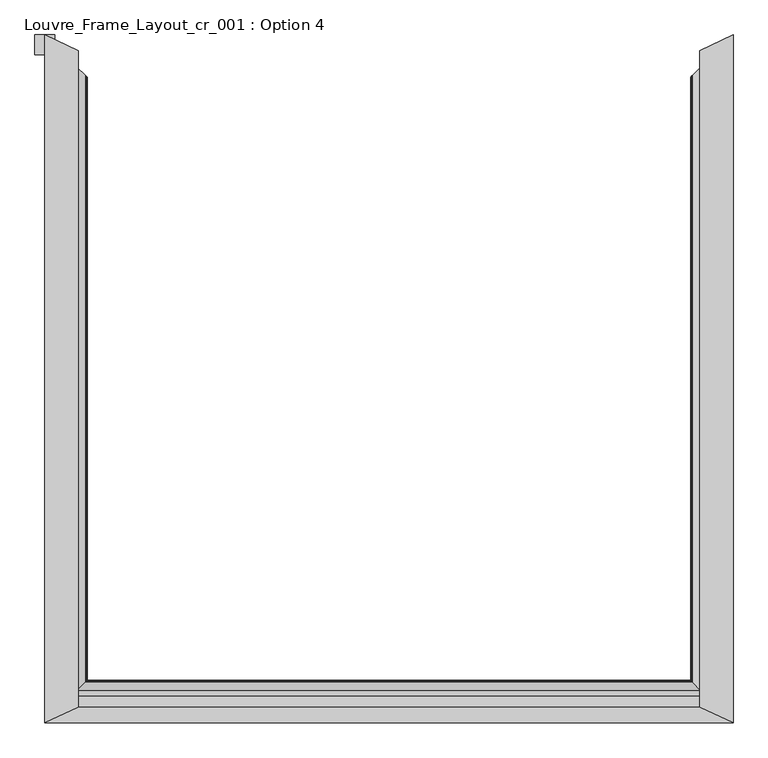
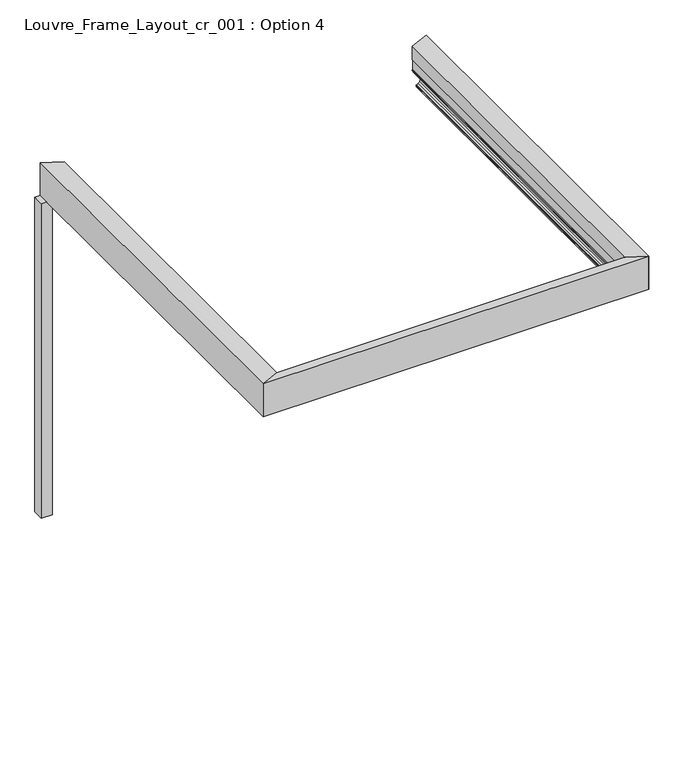
"""IFC4 building model written with IfcOpenShell, lengths in millimetres: proxy geometry, Louvre_Frame_Layout_cr_001 : Option 4."""

from ifc_helpers import new_model, si_unit, frame, origin, place, context, project, spatial, polyline, ellipse_curve, outline, extrude, source, transform, mapped, element, save
from ifc_brep_helpers import plane_surface, cylinder_surface, revolved_surface, advanced_brep


def louvre_frame_layout_cr_001_option_4_56b08c02(model_context):
    return source(origin(), model_context, "Body", "SolidModel", [
        advanced_brep(
        [(3500.0, -1860.0, 40.0285881), (3354.7049082, -1714.7471297, 40.0285881), (3357.499356, -1717.5407655, 38.8575344), (3435.6421077, -1795.6608096, 38.8575344), (3437.2798539, -1797.2980799, 37.2197882), (3437.2798539, -1797.2980799, 30.0771301), (3448.0054103, -1808.0205195, 30.0771301), (3448.0054103, -1808.0205195, 7.0067374), (3443.0005687, -1803.0171323, 2.0018958), (3364.8199959, -1724.8592781, 2.0018958), (3336.794989, -1696.842415, 7.4266447), (3291.7291256, -1651.7896474, 25.5580129), (3291.7291256, -1651.7896474, 39.3616238), (3291.0621612, -1651.1228768, 40.0285881), (3285.4888339, -1645.5511691, 40.0285881), (3284.8218695, -1644.8843985, 39.3616238), (3284.8218695, -1644.8843985, 26.5150991), (3285.3886853, -1645.4510496, 25.9589183), (3349.8942843, -1709.9379038, 0.0), (3500.0, -1860.0, 0.0), (3500.0, -1860.0, 36.793065), (3354.7049082, 1494.7471297, 40.0285881), (3500.0, 1640.0, 40.0285881), (3500.0, 1640.0, 36.793065), (3500.0, 1640.0, 0.0), (3349.8942843, 1489.9379038, 0.0), (3285.3886853, 1425.4510496, 25.9589183), (3284.8218695, 1424.8843985, 26.5150991), (3284.8218695, 1424.8843985, 39.3616238), (3285.4888339, 1425.5511691, 40.0285881), (3291.0621612, 1431.1228768, 40.0285881), (3291.7291256, 1431.7896474, 39.3616238), (3291.7291256, 1431.7896474, 25.5580129), (3336.794989, 1476.842415, 7.4266447), (3364.8199959, 1504.8592781, 2.0018958), (3443.0005687, 1583.0171323, 2.0018958), (3448.0054103, 1588.0205195, 7.0067374), (3448.0054103, 1588.0205195, 30.0771301), (3437.2798539, 1577.2980799, 30.0771301), (3437.2798539, 1577.2980799, 37.2197882), (3435.6421077, 1575.6608096, 38.8575344), (3357.499356, 1497.5407655, 38.8575344), (3330.2950263, 1560.0512704, 186.2985422), (3330.2950263, 1560.0512704, 315.1230176), (3500.0, 1640.0, 315.1230176), (3354.7049082, 1571.5508688, 40.0285881), (3352.0673551, 1570.3083064, 42.7736155), (3330.3018549, 1560.0544873, 79.2796958), (3330.3018549, 1560.0544873, 88.3970766), (3336.7193678, 1563.0778048, 88.3970766), (3336.7193678, 1563.0778048, 186.2985422), (3354.7049082, -1791.5508688, 40.0285881), (3330.2950263, -1780.0512704, 186.2985422), (3330.2950263, -1780.0512704, 315.1230176), (3336.7193678, -1783.0778048, 186.2985422), (3336.7193678, -1783.0778048, 88.3970766), (3330.3018549, -1780.0544873, 88.3970766), (3330.3018549, -1780.0544873, 79.2796958), (3352.0673551, -1790.3083064, 42.7736155), (3500.0, -1860.0, 315.1230176)],
        [
            (0, 1),
            (1, 2, ellipse_curve(frame((3359.3065931, -1719.3474774, 47.0897633), z_axis=(-0.70700401906678, -0.7072095283743144, 0.0), x_axis=(0.7072095283743143, -0.70700401906678, 0.0)), 11.917639, 8.4282679)),
            (2, 3),
            (3, 4, ellipse_curve(frame((3435.6421077, -1795.6608096, 37.2197882), z_axis=(0.70700401906678, 0.7072095283743144, 0.0), x_axis=(-0.7072095283743143, 0.70700401906678, 0.0)), 2.3157864, 1.6377462)),
            (4, 5),
            (5, 6),
            (6, 7),
            (7, 8, ellipse_curve(frame((3443.0005687, -1803.0171323, 7.0067374), z_axis=(0.70700401906678, 0.7072095283743144, 0.0), x_axis=(-0.7072095283743143, 0.70700401906678, 0.0)), 7.0768866, 5.0048416)),
            (8, 9),
            (9, 10, ellipse_curve(frame((3364.8119854, -1724.85127, 77.0634267), z_axis=(0.70700401906678, 0.7072095283743144, 0.0), x_axis=(-0.7072095283743143, 0.70700401906678, 0.0)), 106.1376132, 75.0615314)),
            (10, 11),
            (11, 12),
            (12, 13, ellipse_curve(frame((3291.0621612, -1651.1228768, 39.3616238), z_axis=(-0.70700401906678, -0.7072095283743144, 0.0), x_axis=(0.7072095283743143, -0.70700401906678, 0.0)), 0.943093, 0.6669644)),
            (13, 14),
            (14, 15, ellipse_curve(frame((3285.4888339, -1645.5511691, 39.3616238), z_axis=(-0.70700401906678, -0.7072095283743144, 0.0), x_axis=(0.7072095283743143, -0.70700401906678, 0.0)), 0.943093, 0.6669644)),
            (15, 16),
            (16, 17, ellipse_curve(frame((3285.7754513, -1645.8377032, 26.9199973), z_axis=(-0.70700401906678, -0.7072095283743144, 0.0), x_axis=(0.7072095283743143, -0.70700401906678, 0.0)), 1.4648884, 1.035983)),
            (17, 18),
            (18, 19),
            (19, 20),
            (20, 0),
            (21, 22),
            (22, 23),
            (23, 24),
            (24, 25),
            (25, 26),
            (26, 27, ellipse_curve(frame((3285.7754513, 1425.8377032, 26.9199973), z_axis=(-0.7070040190647345, 0.7072095283763594, 0.0), x_axis=(-0.7072095283763595, -0.7070040190647343, 0.0)), 1.4648884, 1.035983)),
            (27, 28),
            (28, 29, ellipse_curve(frame((3285.4888339, 1425.5511691, 39.3616238), z_axis=(-0.7070040190647345, 0.7072095283763594, 0.0), x_axis=(-0.7072095283763595, -0.7070040190647343, 0.0)), 0.943093, 0.6669644)),
            (29, 30),
            (30, 31, ellipse_curve(frame((3291.0621612, 1431.1228768, 39.3616238), z_axis=(-0.7070040190647345, 0.7072095283763594, 0.0), x_axis=(-0.7072095283763595, -0.7070040190647343, 0.0)), 0.943093, 0.6669644)),
            (31, 32),
            (32, 33),
            (33, 34, ellipse_curve(frame((3364.8119854, 1504.85127, 77.0634267), z_axis=(0.7070040190647345, -0.7072095283763594, 0.0), x_axis=(0.7072095283763595, 0.7070040190647343, 0.0)), 106.1376132, 75.0615314)),
            (34, 35),
            (35, 36, ellipse_curve(frame((3443.0005687, 1583.0171323, 7.0067374), z_axis=(0.7070040190647345, -0.7072095283763594, 0.0), x_axis=(0.7072095283763595, 0.7070040190647343, 0.0)), 7.0768866, 5.0048416)),
            (36, 37),
            (37, 38),
            (38, 39),
            (39, 40, ellipse_curve(frame((3435.6421077, 1575.6608096, 37.2197882), z_axis=(0.7070040190647345, -0.7072095283763594, 0.0), x_axis=(0.7072095283763595, 0.7070040190647343, 0.0)), 2.3157864, 1.6377462)),
            (40, 41),
            (41, 21, ellipse_curve(frame((3359.3065931, 1499.3474775, 47.0897633), z_axis=(-0.7070040190647345, 0.7072095283763594, 0.0), x_axis=(-0.7072095283763595, -0.7070040190647343, 0.0)), 11.917639, 8.4282679)),
            (42, 43),
            (43, 44),
            (44, 22),
            (22, 45),
            (45, 46, ellipse_curve(frame((3359.3065931, 1573.718742, 47.0897633), z_axis=(-0.4261791510910806, 0.9046387849165467, 0.0), x_axis=(-0.9046387849165468, -0.42617915109108023, 0.0)), 9.3167218, 8.4282679)),
            (46, 47),
            (47, 48),
            (48, 49),
            (49, 50),
            (50, 42),
            (0, 51),
            (51, 1),
            (21, 45),
            (42, 52),
            (52, 53),
            (53, 43),
            (50, 54),
            (54, 52),
            (49, 55),
            (55, 54),
            (48, 56),
            (56, 55),
            (47, 57),
            (57, 56),
            (46, 58),
            (58, 57),
            (51, 58, ellipse_curve(frame((3359.3065931, -1793.718742, 47.0897633), z_axis=(0.42617915109110965, 0.9046387849165329, 0.0), x_axis=(0.9046387849165329, -0.4261791510911096, 0.0)), 9.3167218, 8.4282679)),
            (41, 2),
            (40, 3),
            (39, 4),
            (38, 5),
            (37, 6),
            (36, 7),
            (35, 8),
            (34, 9),
            (33, 10),
            (32, 11),
            (31, 12),
            (30, 13),
            (29, 14),
            (28, 15),
            (27, 16),
            (26, 17),
            (25, 18),
            (24, 19),
            (44, 59),
            (59, 0),
            (53, 59),
        ],
        [
            plane_surface(frame((3500.0, -1860.0, 40.0285881), z_axis=(-0.70700401906678, -0.7072095283743144, 0.0), x_axis=(0.0, 0.0, -1.0))),
            plane_surface(frame((3241.9060249, 1381.9810249, 40.0285881), z_axis=(-0.7070040190647345, 0.7072095283763594, 0.0), x_axis=(0.0, 0.0, -1.0))),
            plane_surface(frame((3330.2950263, 1560.0512704, 355.5911694), z_axis=(-0.4261791510910806, 0.9046387849165467, 0.0), x_axis=(0.0, 0.0, -1.0))),
            plane_surface(frame((3241.9060249, -1601.9810249, 40.0285881), z_axis=(0.0, 0.0, -1.0), x_axis=(0.0, -1.0, 0.0))),
            plane_surface(frame((3500.0, 1640.0, 40.0285881), z_axis=(0.0, 0.0, -1.0000000000000002), x_axis=(0.7072095283763594, 0.7070040190647345, 0.0))),
            plane_surface(frame((3330.2950263, -1860.0, 315.1230176), z_axis=(-1.0, 0.0, 0.0), x_axis=(0.0, 1.0, 0.0))),
            plane_surface(frame((3330.2950263, -1860.0, 186.2985422), z_axis=(0.0, 0.0, -1.0), x_axis=(0.0, 1.0, 0.0))),
            plane_surface(frame((3336.7193678, -1860.0, 186.2985422), z_axis=(-1.0, 0.0, 0.0), x_axis=(0.0, 1.0, 0.0))),
            plane_surface(frame((3336.7193678, -1860.0, 88.3970766), z_axis=(0.0, 0.0, 1.0), x_axis=(0.0, 1.0, 0.0))),
            plane_surface(frame((3330.3018549, -1860.0, 88.3970766), z_axis=(-1.0, 0.0, 0.0), x_axis=(0.0, 1.0, 0.0))),
            plane_surface(frame((3330.3018549, -1860.0, 79.2796958), z_axis=(-0.8589235852565517, 0.0, -0.5121037733604697), x_axis=(0.0, 1.0, 0.0))),
            cylinder_surface(frame((3359.3065931, -1860.0, 47.0897633), z_axis=(0.0, -1.0, 0.0), x_axis=(-1.0, 0.0, 0.0)), 8.4282679),
            plane_surface(frame((3357.499356, -1860.0, 38.8575344), z_axis=(0.0, 0.0, -1.0), x_axis=(0.0, 1.0, 0.0))),
            revolved_surface(polyline([(3434.0043615, 1577.2980798999997, 37.2197882), (3434.0043615, -1797.2980799, 37.2197882)]), (3435.6421077, -1860.0, 37.2197882), (0.0, 1.0, 0.0)),
            plane_surface(frame((3437.2798539, -1860.0, 37.2197882), z_axis=(-1.0, 0.0, 0.0), x_axis=(0.0, 1.0, 0.0))),
            plane_surface(frame((3437.2798539, -1860.0, 30.0771301), z_axis=(0.0, 0.0, -1.0), x_axis=(0.0, 1.0, 0.0))),
            plane_surface(frame((3448.0054103, -1860.0, 30.0771301), z_axis=(-1.0, 0.0, 0.0), x_axis=(0.0, 1.0, 0.0))),
            revolved_surface(polyline([(3437.9957271, 1588.0205195686653, 7.0067374), (3437.9957271, -1808.02051956868, 7.0067374)]), (3443.0005687, -1860.0, 7.0067374), (0.0, 1.0, 0.0)),
            plane_surface(frame((3443.0005687, -1860.0, 2.0018958), z_axis=(0.0, 0.0, 1.0), x_axis=(0.0, 1.0, 0.0))),
            revolved_surface(polyline([(3289.750454, 1579.890989106338, 77.0634267), (3289.750454, -1799.8909891065555, 77.0634267)]), (3364.8119854, -1860.0, 77.0634267), (0.0, 1.0, 0.0)),
            plane_surface(frame((3336.794989, -1860.0, 7.4266447), z_axis=(0.37325372835204107, 0.0, 0.9277293001039154), x_axis=(0.0, 1.0, 0.0))),
            plane_surface(frame((3291.7291256, -1860.0, 25.5580129), z_axis=(1.0, 0.0, 0.0), x_axis=(0.0, 1.0, 0.0))),
            cylinder_surface(frame((3291.0621612, -1860.0, 39.3616238), z_axis=(0.0, -1.0, 0.0), x_axis=(-1.0, 0.0, 0.0)), 0.6669644),
            plane_surface(frame((3291.0621612, -1860.0, 40.0285881), z_axis=(0.0, 0.0, 1.0), x_axis=(0.0, 1.0, 0.0))),
            cylinder_surface(frame((3285.4888339, -1860.0, 39.3616238), z_axis=(0.0, -1.0, 0.0), x_axis=(1.0, 0.0, 0.0)), 0.6669644),
            plane_surface(frame((3284.8218695, -1860.0, 39.3616238), z_axis=(-1.0, 0.0, 0.0), x_axis=(0.0, 1.0, 0.0))),
            cylinder_surface(frame((3285.7754513, -1860.0, 26.9199973), z_axis=(0.0, -1.0, 0.0), x_axis=(-1.0, 0.0, 0.0)), 1.035983),
            plane_surface(frame((3285.3886853, -1860.0, 25.9589183), z_axis=(-0.3733323631651337, 0.0, -0.9276976590536039), x_axis=(0.0, 1.0, 0.0))),
            plane_surface(frame((3349.8942843, -1860.0, 0.0), z_axis=(0.0, 0.0, -1.0), x_axis=(0.0, 1.0, 0.0))),
            plane_surface(frame((3500.0, -1860.0, 0.0), z_axis=(1.0, 0.0, 0.0), x_axis=(0.0, 1.0, 0.0))),
            plane_surface(frame((3500.0, -1860.0, 315.1230176), z_axis=(0.0, 0.0, 1.0), x_axis=(0.0, 1.0, 0.0))),
            plane_surface(frame((3500.0, -1860.0, 355.5911694), z_axis=(-0.42617915109110965, -0.9046387849165329, 0.0), x_axis=(0.0, 0.0, -1.0))),
        ],
        [
            (0, [[1, 2, 3, 4, 5, 6, 7, 8, 9, 10, 11, 12, 13, 14, 15, 16, 17, 18, 19, 20, 21]]),
            (1, [[22, 23, 24, 25, 26, 27, 28, 29, 30, 31, 32, 33, 34, 35, 36, 37, 38, 39, 40, 41, 42]]),
            (2, [[43, 44, 45, 46, 47, 48, 49, 50, 51, 52]]),
            (3, [[-1, 53, 54]]),
            (4, [[-22, 55, -46]]),
            (5, [[-43, 56, 57, 58]]),
            (6, [[-52, 59, 60, -56]]),
            (7, [[-51, 61, 62, -59]]),
            (8, [[-50, 63, 64, -61]]),
            (9, [[-49, 65, 66, -63]]),
            (10, [[-48, 67, 68, -65]]),
            (11, [[-2, -54, 69, -67, -47, -55, -42, 70]]),
            (12, [[-3, -70, -41, 71]]),
            (13, [[-4, -71, -40, 72]]),
            (14, [[-5, -72, -39, 73]]),
            (15, [[-6, -73, -38, 74]]),
            (16, [[-7, -74, -37, 75]]),
            (17, [[-8, -75, -36, 76]]),
            (18, [[-9, -76, -35, 77]]),
            (19, [[-10, -77, -34, 78]]),
            (20, [[-11, -78, -33, 79]]),
            (21, [[-12, -79, -32, 80]]),
            (22, [[-13, -80, -31, 81]]),
            (23, [[-14, -81, -30, 82]]),
            (24, [[-15, -82, -29, 83]]),
            (25, [[-16, -83, -28, 84]]),
            (26, [[-17, -84, -27, 85]]),
            (27, [[-18, -85, -26, 86]]),
            (28, [[87, -19, -86, -25]]),
            (29, [[-87, -24, -23, -45, 88, 89, -21, -20]]),
            (30, [[-88, -44, -58, 90]]),
            (31, [[-57, -60, -62, -64, -66, -68, -69, -53, -89, -90]]),
        ],
    ),
        advanced_brep(
        [(57.3003291, -1802.6996709, 38.7959832), (55.2974109, -1804.7025891, 36.793065), (52.5783381, -1807.4216619, 36.793065), (51.9945897, -1808.0054103, 36.2093165), (51.9945897, -1808.0054103, 7.0067374), (56.9994313, -1803.0005687, 2.0018958), (135.1800041, -1724.8199959, 2.0018958), (163.205011, -1696.794989, 7.4266447), (208.2708744, -1651.7291256, 25.5580129), (208.2708744, -1651.7291256, 39.3616238), (208.9378388, -1651.0621612, 40.0285881), (214.5111661, -1645.4888339, 40.0285881), (215.1781305, -1644.8218695, 39.3616238), (215.1781305, -1644.8218695, 26.1870213), (150.1057157, -1709.8942843, 0.0), (0.0, -1860.0, 0.0), (0.0, -1860.0, 38.8575344), (3444.7025891, -1804.7025891, 36.793065), (3442.6996709, -1802.6996709, 38.7959832), (3500.0, -1860.0, 38.8575344), (3500.0, -1860.0, 0.0), (3349.8942843, -1709.8942843, 0.0), (3284.8218695, -1644.8218695, 26.1870213), (3284.8218695, -1644.8218695, 39.3616238), (3285.4888339, -1645.4888339, 40.0285881), (3291.0621612, -1651.0621612, 40.0285881), (3291.7291256, -1651.7291256, 39.3616238), (3291.7291256, -1651.7291256, 25.5580129), (3336.794989, -1696.794989, 7.4266447), (3364.8199959, -1724.8199959, 2.0018958), (3443.0005687, -1803.0005687, 2.0018958), (3448.0054103, -1808.0054103, 7.0067374), (3448.0054103, -1808.0054103, 36.2093165), (3447.4216619, -1807.4216619, 36.793065), (3330.2950263, -1780.0512704, 316.6276048), (3330.2950263, -1780.0512704, 186.7535382), (169.7049737, -1780.0512704, 186.7535382), (169.7049737, -1780.0512704, 316.6276048), (3389.6325118, -1808.0054103, 186.7535382), (110.3674882, -1808.0054103, 186.7535382), (3389.6325118, -1808.0054103, 66.9467725), (110.3674882, -1808.0054103, 66.9467725), (3388.3114217, -1807.3830392, 66.3244014), (111.6885783, -1807.3830392, 66.3244014), (3382.6221378, -1804.7027935, 66.3244014), (117.3778622, -1804.7027935, 66.3244014), (3378.3701643, -1802.6996709, 64.3212787), (121.6298357, -1802.6996709, 64.3212787), (3378.3701643, -1802.6996709, 38.7959832), (121.6298357, -1802.6996709, 38.7959832), (3500.0, -1860.0, 40.0285881), (3500.0, -1860.0, 316.6276048), (0.0, -1860.0, 316.6276048), (0.0, -1860.0, 40.0285881)],
        [
            (0, 1, ellipse_curve(frame((55.2974109, -1804.7025891, 38.7959832), z_axis=(-0.7071067811864462, 0.7071067811866489, 0.0), x_axis=(-0.7071067811866488, -0.7071067811864462, 0.0)), 2.832554, 2.0029182)),
            (1, 2),
            (2, 3, ellipse_curve(frame((52.5783381, -1807.4216619, 36.2093165), z_axis=(0.7071067811864462, -0.7071067811866489, 0.0), x_axis=(0.7071067811866488, 0.7071067811864462, 0.0)), 0.825545, 0.5837485)),
            (3, 4),
            (4, 5, ellipse_curve(frame((56.9994313, -1803.0005687, 7.0067374), z_axis=(0.7071067811864462, -0.7071067811866489, 0.0), x_axis=(0.7071067811866488, 0.7071067811864462, 0.0)), 7.0779149, 5.0048416)),
            (5, 6),
            (6, 7, ellipse_curve(frame((135.1880146, -1724.8119854, 77.0634267), z_axis=(0.7071067811864462, -0.7071067811866489, 0.0), x_axis=(0.7071067811866488, 0.7071067811864462, 0.0)), 106.1530357, 75.0615314)),
            (7, 8),
            (8, 9),
            (9, 10, ellipse_curve(frame((208.9378388, -1651.0621612, 39.3616238), z_axis=(-0.7071067811864462, 0.7071067811866489, 0.0), x_axis=(-0.7071067811866488, -0.7071067811864462, 0.0)), 0.94323, 0.6669644)),
            (10, 11),
            (11, 12, ellipse_curve(frame((214.5111661, -1645.4888339, 39.3616238), z_axis=(-0.7071067811864462, 0.7071067811866489, 0.0), x_axis=(-0.7071067811866488, -0.7071067811864462, 0.0)), 0.94323, 0.6669644)),
            (12, 13),
            (13, 14),
            (14, 15),
            (15, 16),
            (16, 0),
            (17, 18, ellipse_curve(frame((3444.7025891, -1804.7025891, 38.7959832), z_axis=(0.7071067811866589, 0.7071067811864362, 0.0), x_axis=(-0.7071067811864361, 0.707106781186659, 0.0)), 2.832554, 2.0029182)),
            (18, 19),
            (19, 20),
            (20, 21),
            (21, 22),
            (22, 23),
            (23, 24, ellipse_curve(frame((3285.4888339, -1645.4888339, 39.3616238), z_axis=(0.7071067811866589, 0.7071067811864362, 0.0), x_axis=(-0.7071067811864361, 0.707106781186659, 0.0)), 0.94323, 0.6669644)),
            (24, 25),
            (25, 26, ellipse_curve(frame((3291.0621612, -1651.0621612, 39.3616238), z_axis=(0.7071067811866589, 0.7071067811864362, 0.0), x_axis=(-0.7071067811864361, 0.707106781186659, 0.0)), 0.94323, 0.6669644)),
            (26, 27),
            (27, 28),
            (28, 29, ellipse_curve(frame((3364.8119854, -1724.8119854, 77.0634267), z_axis=(-0.7071067811866589, -0.7071067811864362, 0.0), x_axis=(0.7071067811864361, -0.707106781186659, 0.0)), 106.1530357, 75.0615314)),
            (29, 30),
            (30, 31, ellipse_curve(frame((3443.0005687, -1803.0005687, 7.0067374), z_axis=(-0.7071067811866589, -0.7071067811864362, 0.0), x_axis=(0.7071067811864361, -0.707106781186659, 0.0)), 7.0779149, 5.0048416)),
            (31, 32),
            (32, 33, ellipse_curve(frame((3447.4216619, -1807.4216619, 36.2093165), z_axis=(-0.7071067811866589, -0.7071067811864362, 0.0), x_axis=(0.7071067811864361, -0.707106781186659, 0.0)), 0.825545, 0.5837485)),
            (33, 17),
            (34, 35),
            (35, 36),
            (36, 37),
            (37, 34),
            (35, 38),
            (38, 39),
            (39, 36),
            (38, 40),
            (40, 41),
            (41, 39),
            (40, 42, ellipse_curve(frame((3388.3114217, -1807.3830392, 66.9467725), z_axis=(0.42617915109109655, 0.9046387849165392, 0.0), x_axis=(0.9046387849165392, -0.4261791510910966, 0.0)), 1.460351, 0.6223711)),
            (42, 43),
            (43, 41, ellipse_curve(frame((111.6885783, -1807.3830392, 66.9467725), z_axis=(-0.42617915109134613, 0.9046387849164216, 0.0), x_axis=(0.9046387849164216, 0.4261791510913462, 0.0)), 1.460351, 0.6223711)),
            (42, 44),
            (44, 45),
            (45, 43),
            (44, 46, ellipse_curve(frame((3382.6221378, -1804.7027935, 64.3212787), z_axis=(-0.42617915109109655, -0.9046387849165392, 0.0), x_axis=(-0.9046387849165392, 0.4261791510910966, 0.0)), 4.7001892, 2.0031227)),
            (46, 47),
            (47, 45, ellipse_curve(frame((117.3778622, -1804.7027935, 64.3212787), z_axis=(0.42617915109134613, -0.9046387849164216, 0.0), x_axis=(-0.9046387849164216, -0.4261791510913462, 0.0)), 4.7001892, 2.0031227)),
            (46, 48),
            (48, 49),
            (49, 47),
            (0, 49),
            (48, 18),
            (17, 1),
            (33, 2),
            (32, 3),
            (31, 4),
            (30, 5),
            (29, 6),
            (28, 7),
            (27, 8),
            (26, 9),
            (25, 10),
            (24, 11),
            (23, 12),
            (22, 13),
            (21, 14),
            (20, 15),
            (19, 50),
            (50, 51),
            (51, 52),
            (52, 53),
            (53, 16),
            (51, 34),
            (37, 52),
            (48, 19),
            (16, 49),
        ],
        [
            plane_surface(frame((0.0, -1860.0, 40.0285881), z_axis=(-0.7071067811864462, 0.7071067811866489, 0.0), x_axis=(0.0, 0.0, -1.0))),
            plane_surface(frame((3241.9060249, -1601.9060249, 40.0285881), z_axis=(0.7071067811866589, 0.7071067811864362, 0.0), x_axis=(0.0, 0.0, -1.0))),
            plane_surface(frame((0.0, -1780.0512704, 316.6276048), z_axis=(0.0, 1.0, 0.0), x_axis=(1.0, 0.0, 0.0))),
            plane_surface(frame((0.0, -1780.0512704, 186.7535382), z_axis=(0.0, 0.0, -1.0), x_axis=(1.0, 0.0, 0.0))),
            plane_surface(frame((0.0, -1808.0054103, 186.7535382), z_axis=(0.0, 1.0, 0.0), x_axis=(1.0, 0.0, 0.0))),
            revolved_surface(polyline([(3389.6325118541918, -1806.7606681, 66.9467725), (110.36748814580852, -1806.7606681, 66.9467725)]), (0.0, -1807.3830392, 66.9467725), (1.0, 0.0, 0.0)),
            plane_surface(frame((0.0, -1807.3830392, 66.3244014), z_axis=(0.0, 0.0, 1.0), x_axis=(1.0, 0.0, 0.0))),
            cylinder_surface(frame((0.0, -1804.7027935, 64.3212787), z_axis=(-1.0, 0.0, 0.0), x_axis=(0.0, 1.0, 0.0)), 2.0031227),
            plane_surface(frame((0.0, -1802.6996709, 64.3212787), z_axis=(0.0, 1.0, 0.0), x_axis=(1.0, 0.0, 0.0))),
            cylinder_surface(frame((0.0, -1804.7025891, 38.7959832), z_axis=(-1.0, 0.0, 0.0), x_axis=(0.0, 1.0, 0.0)), 2.0029182),
            plane_surface(frame((0.0, -1804.7025891, 36.793065), z_axis=(0.0, 0.0, -1.0), x_axis=(1.0, 0.0, 0.0))),
            revolved_surface(polyline([(3448.0054103676744, -1806.8379134, 36.2093165), (51.99458963232527, -1806.8379134, 36.2093165)]), (0.0, -1807.4216619, 36.2093165), (1.0, 0.0, 0.0)),
            plane_surface(frame((0.0, -1808.0054103, 36.2093165), z_axis=(0.0, 1.0, 0.0), x_axis=(1.0, 0.0, 0.0))),
            revolved_surface(polyline([(3448.00541032245, -1797.9957271, 7.0067374), (51.99458967754798, -1797.9957271, 7.0067374)]), (0.0, -1803.0005687, 7.0067374), (1.0, 0.0, 0.0)),
            plane_surface(frame((0.0, -1803.0005687, 2.0018958), z_axis=(0.0, 0.0, 1.0), x_axis=(1.0, 0.0, 0.0))),
            revolved_surface(polyline([(3439.873516786996, -1649.750454, 77.0634267), (60.12648321298158, -1649.750454, 77.0634267)]), (0.0, -1724.8119854, 77.0634267), (1.0, 0.0, 0.0)),
            plane_surface(frame((0.0, -1696.794989, 7.4266447), z_axis=(0.0, -0.37325372835204085, 0.9277293001039155), x_axis=(1.0, 0.0, 0.0))),
            plane_surface(frame((0.0, -1651.7291256, 25.5580129), z_axis=(0.0, -1.0, 0.0), x_axis=(1.0, 0.0, 0.0))),
            cylinder_surface(frame((0.0, -1651.0621612, 39.3616238), z_axis=(-1.0, 0.0, 0.0), x_axis=(0.0, 1.0, 0.0)), 0.6669644),
            plane_surface(frame((0.0, -1651.0621612, 40.0285881), z_axis=(0.0, 0.0, 1.0), x_axis=(1.0, 0.0, 0.0))),
            cylinder_surface(frame((0.0, -1645.4888339, 39.3616238), z_axis=(-1.0, 0.0, 0.0), x_axis=(0.0, -1.0, 0.0)), 0.6669644),
            plane_surface(frame((0.0, -1644.8218695, 39.3616238), z_axis=(0.0, 1.0, 0.0), x_axis=(1.0, 0.0, 0.0))),
            plane_surface(frame((0.0, -1644.8218695, 26.1870213), z_axis=(0.0, 0.3733323631651337, -0.927697659053604), x_axis=(1.0, 0.0, 0.0))),
            plane_surface(frame((0.0, -1709.8942843, 0.0), z_axis=(0.0, 0.0, -1.0), x_axis=(1.0, 0.0, 0.0))),
            plane_surface(frame((0.0, -1860.0, 0.0), z_axis=(0.0, -1.0, 0.0), x_axis=(1.0, 0.0, 0.0))),
            plane_surface(frame((0.0, -1860.0, 316.6276048), z_axis=(0.0, 0.0, 1.0), x_axis=(1.0, 0.0, 0.0))),
            plane_surface(frame((3500.0, -1860.0, 38.8575344), z_axis=(0.0, 0.0, 1.0), x_axis=(-0.9046387849165392, 0.42617915109109655, 0.0))),
            plane_surface(frame((3330.2950263, -1780.0512704, 398.4370867), z_axis=(0.42617915109109655, 0.9046387849165392, 0.0), x_axis=(0.0, 0.0, -1.0))),
            plane_surface(frame((0.0, -1780.0512704, 38.8575344), z_axis=(0.0, 0.0, 1.0), x_axis=(1.0, 0.0, 0.0))),
            plane_surface(frame((0.0, -1860.0, 398.4370867), z_axis=(-0.42617915109134613, 0.9046387849164216, 0.0), x_axis=(0.0, 0.0, -1.0))),
        ],
        [
            (0, [[1, 2, 3, 4, 5, 6, 7, 8, 9, 10, 11, 12, 13, 14, 15, 16, 17]]),
            (1, [[18, 19, 20, 21, 22, 23, 24, 25, 26, 27, 28, 29, 30, 31, 32, 33, 34]]),
            (2, [[35, 36, 37, 38]]),
            (3, [[39, 40, 41, -36]]),
            (4, [[42, 43, 44, -40]]),
            (5, [[45, 46, 47, -43]]),
            (6, [[48, 49, 50, -46]]),
            (7, [[51, 52, 53, -49]]),
            (8, [[54, 55, 56, -52]]),
            (9, [[-1, 57, -55, 58, -18, 59]]),
            (10, [[-2, -59, -34, 60]]),
            (11, [[-3, -60, -33, 61]]),
            (12, [[-4, -61, -32, 62]]),
            (13, [[-5, -62, -31, 63]]),
            (14, [[-6, -63, -30, 64]]),
            (15, [[-7, -64, -29, 65]]),
            (16, [[-8, -65, -28, 66]]),
            (17, [[-9, -66, -27, 67]]),
            (18, [[-10, -67, -26, 68]]),
            (19, [[-11, -68, -25, 69]]),
            (20, [[-12, -69, -24, 70]]),
            (21, [[-13, -70, -23, 71]]),
            (22, [[-14, -71, -22, 72]]),
            (23, [[73, -15, -72, -21]]),
            (24, [[-73, -20, 74, 75, 76, 77, 78, -16]]),
            (25, [[-76, 79, -38, 80]]),
            (26, [[81, -19, -58]]),
            (27, [[-81, -54, -51, -48, -45, -42, -39, -35, -79, -75, -74]]),
            (28, [[82, -57, -17]]),
            (29, [[-82, -78, -77, -80, -37, -41, -44, -47, -50, -53, -56]]),
        ],
    ),
        advanced_brep(
        [(145.2950918, -1714.7049082, 40.0285881), (0.0, -1860.0, 40.0285881), (0.0, -1860.0, 36.793065), (0.0, -1860.0, 0.0), (150.1057157, -1709.8942843, 0.0), (214.6113147, -1645.3886853, 25.9589183), (215.1781305, -1644.8218695, 26.5150991), (215.1781305, -1644.8218695, 39.3616238), (214.5111661, -1645.4888339, 40.0285881), (208.9378388, -1651.0621612, 40.0285881), (208.2708744, -1651.7291256, 39.3616238), (208.2708744, -1651.7291256, 25.5580129), (163.205011, -1696.794989, 7.4266447), (135.1800041, -1724.8199959, 2.0018958), (56.9994313, -1803.0005687, 2.0018958), (51.9945897, -1808.0054103, 7.0067374), (51.9945897, -1808.0054103, 30.0771301), (62.7201461, -1797.2798539, 30.0771301), (62.7201461, -1797.2798539, 37.2197882), (64.3578923, -1795.6421077, 38.8575344), (142.500644, -1717.499356, 38.8575344), (0.0, 1640.0, 40.0285881), (145.2950918, 1494.7471297, 40.0285881), (142.500644, 1497.5407655, 38.8575344), (64.3578923, 1575.6608096, 38.8575344), (62.7201461, 1577.2980799, 37.2197882), (62.7201461, 1577.2980799, 30.0771301), (51.9945897, 1588.0205195, 30.0771301), (51.9945897, 1588.0205195, 7.0067374), (56.9994313, 1583.0171323, 2.0018958), (135.1800041, 1504.8592781, 2.0018958), (163.205011, 1476.842415, 7.4266447), (208.2708744, 1431.7896474, 25.5580129), (208.2708744, 1431.7896474, 39.3616238), (208.9378388, 1431.1228768, 40.0285881), (214.5111661, 1425.5511691, 40.0285881), (215.1781305, 1424.8843985, 39.3616238), (215.1781305, 1424.8843985, 26.5150991), (214.6113147, 1425.4510496, 25.9589183), (150.1057157, 1489.9379038, 0.0), (0.0, 1640.0, 0.0), (0.0, 1640.0, 36.793065), (145.2950918, -1791.5508688, 40.0285881), (145.2950918, 1571.5508688, 40.0285881), (0.0, 1640.0, 315.1230176), (0.0, -1860.0, 315.1230176), (169.7049737, -1780.0512704, 315.1230176), (169.7049737, 1560.0512704, 315.1230176), (147.9326449, 1570.3083064, 42.7736155), (147.9326449, -1790.3083064, 42.7736155), (169.6981451, -1780.0544873, 79.2796958), (169.6981451, 1560.0544873, 79.2796958), (169.6981451, -1780.0544873, 88.3970766), (169.6981451, 1560.0544873, 88.3970766), (163.2806322, -1783.0778048, 88.3970766), (163.2806322, 1563.0778048, 88.3970766), (163.2806322, -1783.0778048, 186.2985422), (163.2806322, 1563.0778048, 186.2985422), (169.7049737, -1780.0512704, 186.2985422), (169.7049737, 1560.0512704, 186.2985422)],
        [
            (0, 1),
            (1, 2),
            (2, 3),
            (3, 4),
            (4, 5),
            (5, 6, ellipse_curve(frame((214.2245487, -1645.7754513, 26.9199973), z_axis=(0.707106781186508, -0.707106781186587, 0.0), x_axis=(-0.707106781186587, -0.707106781186508, 0.0)), 1.4651013, 1.035983)),
            (6, 7),
            (7, 8, ellipse_curve(frame((214.5111661, -1645.4888339, 39.3616238), z_axis=(0.707106781186508, -0.707106781186587, 0.0), x_axis=(-0.707106781186587, -0.707106781186508, 0.0)), 0.94323, 0.6669644)),
            (8, 9),
            (9, 10, ellipse_curve(frame((208.9378388, -1651.0621612, 39.3616238), z_axis=(0.707106781186508, -0.707106781186587, 0.0), x_axis=(-0.707106781186587, -0.707106781186508, 0.0)), 0.94323, 0.6669644)),
            (10, 11),
            (11, 12),
            (12, 13, ellipse_curve(frame((135.1880146, -1724.8119854, 77.0634267), z_axis=(-0.707106781186508, 0.707106781186587, 0.0), x_axis=(0.707106781186587, 0.707106781186508, 0.0)), 106.1530357, 75.0615314)),
            (13, 14),
            (14, 15, ellipse_curve(frame((56.9994313, -1803.0005687, 7.0067374), z_axis=(-0.707106781186508, 0.707106781186587, 0.0), x_axis=(0.707106781186587, 0.707106781186508, 0.0)), 7.0779149, 5.0048416)),
            (15, 16),
            (16, 17),
            (17, 18),
            (18, 19, ellipse_curve(frame((64.3578923, -1795.6421077, 37.2197882), z_axis=(-0.707106781186508, 0.707106781186587, 0.0), x_axis=(0.707106781186587, 0.707106781186508, 0.0)), 2.3161229, 1.6377462)),
            (19, 20),
            (20, 0, ellipse_curve(frame((140.6934069, -1719.3065931, 47.0897633), z_axis=(0.707106781186508, -0.707106781186587, 0.0), x_axis=(-0.707106781186587, -0.707106781186508, 0.0)), 11.9193707, 8.4282679)),
            (21, 22),
            (22, 23, ellipse_curve(frame((140.6934069, 1499.3474774, 47.0897633), z_axis=(0.7070040190783584, 0.7072095283627394, 0.0), x_axis=(0.7072095283627394, -0.7070040190783583, 0.0)), 11.917639, 8.4282679)),
            (23, 24),
            (24, 25, ellipse_curve(frame((64.3578923, 1575.6608096, 37.2197882), z_axis=(-0.7070040190783584, -0.7072095283627394, 0.0), x_axis=(-0.7072095283627394, 0.7070040190783583, 0.0)), 2.3157864, 1.6377462)),
            (25, 26),
            (26, 27),
            (27, 28),
            (28, 29, ellipse_curve(frame((56.9994313, 1583.0171323, 7.0067374), z_axis=(-0.7070040190783584, -0.7072095283627394, 0.0), x_axis=(-0.7072095283627394, 0.7070040190783583, 0.0)), 7.0768866, 5.0048416)),
            (29, 30),
            (30, 31, ellipse_curve(frame((135.1880146, 1504.85127, 77.0634267), z_axis=(-0.7070040190783584, -0.7072095283627394, 0.0), x_axis=(-0.7072095283627394, 0.7070040190783583, 0.0)), 106.1376132, 75.0615314)),
            (31, 32),
            (32, 33),
            (33, 34, ellipse_curve(frame((208.9378388, 1431.1228768, 39.3616238), z_axis=(0.7070040190783584, 0.7072095283627394, 0.0), x_axis=(0.7072095283627394, -0.7070040190783583, 0.0)), 0.943093, 0.6669644)),
            (34, 35),
            (35, 36, ellipse_curve(frame((214.5111661, 1425.5511691, 39.3616238), z_axis=(0.7070040190783584, 0.7072095283627394, 0.0), x_axis=(0.7072095283627394, -0.7070040190783583, 0.0)), 0.943093, 0.6669644)),
            (36, 37),
            (37, 38, ellipse_curve(frame((214.2245487, 1425.8377032, 26.9199973), z_axis=(0.7070040190783584, 0.7072095283627394, 0.0), x_axis=(0.7072095283627394, -0.7070040190783583, 0.0)), 1.4648884, 1.035983)),
            (38, 39),
            (39, 40),
            (40, 41),
            (41, 21),
            (0, 42),
            (42, 1),
            (21, 43),
            (43, 22),
            (44, 45),
            (45, 46),
            (46, 47),
            (47, 44),
            (44, 21),
            (40, 3),
            (1, 45),
            (39, 4),
            (38, 5),
            (37, 6),
            (36, 7),
            (35, 8),
            (34, 9),
            (33, 10),
            (32, 11),
            (31, 12),
            (30, 13),
            (29, 14),
            (28, 15),
            (27, 16),
            (26, 17),
            (25, 18),
            (24, 19),
            (23, 20),
            (43, 48, ellipse_curve(frame((140.6934069, 1573.718742, 47.0897633), z_axis=(-0.42617915109127075, -0.9046387849164571, 0.0), x_axis=(0.9046387849164572, -0.4261791510912706, 0.0)), 9.3167218, 8.4282679)),
            (48, 49),
            (49, 42, ellipse_curve(frame((140.6934069, -1793.718742, 47.0897633), z_axis=(-0.42617915109133725, 0.9046387849164258, 0.0), x_axis=(-0.9046387849164259, -0.426179151091337, 0.0)), 9.3167218, 8.4282679)),
            (50, 49),
            (48, 51),
            (51, 50),
            (52, 50),
            (51, 53),
            (53, 52),
            (54, 52),
            (53, 55),
            (55, 54),
            (56, 54),
            (55, 57),
            (57, 56),
            (58, 56),
            (57, 59),
            (59, 58),
            (46, 58),
            (59, 47),
        ],
        [
            plane_surface(frame((215.1781305, -1644.8218695, 40.0285881), z_axis=(0.707106781186508, -0.707106781186587, 0.0), x_axis=(0.0, 0.0, -1.0))),
            plane_surface(frame((0.0, 1640.0, 40.0285881), z_axis=(0.7070040190783584, 0.7072095283627394, 0.0), x_axis=(0.0, 0.0, -1.0))),
            plane_surface(frame((0.0, -1860.0, 40.0285881), z_axis=(0.0, 0.0, -1.0), x_axis=(-0.707106781186587, -0.707106781186508, 0.0))),
            plane_surface(frame((258.0939751, 1381.9810249, 40.0285881), z_axis=(0.0, 0.0, -1.0), x_axis=(0.0, 1.0, 0.0))),
            plane_surface(frame((169.7049737, -1860.0, 315.1230176), z_axis=(0.0, 0.0, 1.0), x_axis=(0.0, 1.0, 0.0))),
            plane_surface(frame((0.0, -1860.0, 315.1230176), z_axis=(-1.0, 0.0, 0.0), x_axis=(0.0, 1.0, 0.0))),
            plane_surface(frame((0.0, -1860.0, 0.0), z_axis=(0.0, 0.0, -1.0), x_axis=(0.0, 1.0, 0.0))),
            plane_surface(frame((150.1057157, -1860.0, 0.0), z_axis=(0.3733323631651337, 0.0, -0.9276976590536039), x_axis=(0.0, 1.0, 0.0))),
            cylinder_surface(frame((214.2245487, -1860.0, 26.9199973), z_axis=(0.0, -1.0, 0.0), x_axis=(1.0, 0.0, 0.0)), 1.035983),
            plane_surface(frame((215.1781305, -1860.0, 26.5150991), z_axis=(1.0, 0.0, 0.0), x_axis=(0.0, 1.0, 0.0))),
            cylinder_surface(frame((214.5111661, -1860.0, 39.3616238), z_axis=(0.0, -1.0, 0.0), x_axis=(-1.0, 0.0, 0.0)), 0.6669644),
            plane_surface(frame((214.5111661, -1860.0, 40.0285881), z_axis=(0.0, 0.0, 1.0), x_axis=(0.0, 1.0, 0.0))),
            cylinder_surface(frame((208.9378388, -1860.0, 39.3616238), z_axis=(0.0, -1.0, 0.0), x_axis=(1.0, 0.0, 0.0)), 0.6669644),
            plane_surface(frame((208.2708744, -1860.0, 39.3616238), z_axis=(-1.0, 0.0, 0.0), x_axis=(0.0, 1.0, 0.0))),
            plane_surface(frame((208.2708744, -1860.0, 25.5580129), z_axis=(-0.37325372835204107, 0.0, 0.9277293001039154), x_axis=(0.0, 1.0, 0.0))),
            revolved_surface(polyline([(210.249546, 1579.8909891077842, 77.0634267), (210.249546, -1799.8735167870034, 77.0634267)]), (135.1880146, -1860.0, 77.0634267), (0.0, 1.0, 0.0)),
            plane_surface(frame((135.1800041, -1860.0, 2.0018958), z_axis=(0.0, 0.0, 1.0), x_axis=(0.0, 1.0, 0.0))),
            revolved_surface(polyline([(62.0042729, 1588.0205195687618, 7.0067374), (62.0042729, -1808.005410322451, 7.0067374)]), (56.9994313, -1860.0, 7.0067374), (0.0, 1.0, 0.0)),
            plane_surface(frame((51.9945897, -1860.0, 7.0067374), z_axis=(1.0, 0.0, 0.0), x_axis=(0.0, 1.0, 0.0))),
            plane_surface(frame((51.9945897, -1860.0, 30.0771301), z_axis=(0.0, 0.0, -1.0), x_axis=(0.0, 1.0, 0.0))),
            plane_surface(frame((62.7201461, -1860.0, 30.0771301), z_axis=(1.0, 0.0, 0.0), x_axis=(0.0, 1.0, 0.0))),
            revolved_surface(polyline([(65.9956385, 1577.2980798999997, 37.2197882), (65.9956385, -1797.2798539086514, 37.2197882)]), (64.3578923, -1860.0, 37.2197882), (0.0, 1.0, 0.0)),
            plane_surface(frame((64.3578923, -1860.0, 38.8575344), z_axis=(0.0, 0.0, -1.0), x_axis=(0.0, 1.0, 0.0))),
            cylinder_surface(frame((140.6934069, -1860.0, 47.0897633), z_axis=(0.0, -1.0, 0.0), x_axis=(1.0, 0.0, 0.0)), 8.4282679),
            plane_surface(frame((147.9326449, -1860.0, 42.7736155), z_axis=(0.8589235852565517, 0.0, -0.5121037733604697), x_axis=(0.0, 1.0, 0.0))),
            plane_surface(frame((169.6981451, -1860.0, 79.2796958), z_axis=(1.0, 0.0, 0.0), x_axis=(0.0, 1.0, 0.0))),
            plane_surface(frame((169.6981451, -1860.0, 88.3970766), z_axis=(0.0, 0.0, 1.0), x_axis=(0.0, 1.0, 0.0))),
            plane_surface(frame((163.2806322, -1860.0, 88.3970766), z_axis=(1.0, 0.0, 0.0), x_axis=(0.0, 1.0, 0.0))),
            plane_surface(frame((163.2806322, -1860.0, 186.2985422), z_axis=(0.0, 0.0, -1.0), x_axis=(0.0, 1.0, 0.0))),
            plane_surface(frame((169.7049737, -1860.0, 186.2985422), z_axis=(1.0, 0.0, 0.0), x_axis=(0.0, 1.0, 0.0))),
            plane_surface(frame((169.7049737, -1780.0512704, 355.5911694), z_axis=(0.42617915109133725, -0.9046387849164258, 0.0), x_axis=(0.0, 0.0, -1.0))),
            plane_surface(frame((0.0, 1640.0, 355.5911694), z_axis=(0.42617915109127075, 0.9046387849164571, 0.0), x_axis=(0.0, 0.0, -1.0))),
        ],
        [
            (0, [[1, 2, 3, 4, 5, 6, 7, 8, 9, 10, 11, 12, 13, 14, 15, 16, 17, 18, 19, 20, 21]]),
            (1, [[22, 23, 24, 25, 26, 27, 28, 29, 30, 31, 32, 33, 34, 35, 36, 37, 38, 39, 40, 41, 42]]),
            (2, [[-1, 43, 44]]),
            (3, [[-22, 45, 46]]),
            (4, [[47, 48, 49, 50]]),
            (5, [[-47, 51, -42, -41, 52, -3, -2, 53]]),
            (6, [[-52, -40, 54, -4]]),
            (7, [[-5, -54, -39, 55]]),
            (8, [[-6, -55, -38, 56]]),
            (9, [[-7, -56, -37, 57]]),
            (10, [[-8, -57, -36, 58]]),
            (11, [[-9, -58, -35, 59]]),
            (12, [[-10, -59, -34, 60]]),
            (13, [[-11, -60, -33, 61]]),
            (14, [[-12, -61, -32, 62]]),
            (15, [[-13, -62, -31, 63]]),
            (16, [[-14, -63, -30, 64]]),
            (17, [[-15, -64, -29, 65]]),
            (18, [[-16, -65, -28, 66]]),
            (19, [[-17, -66, -27, 67]]),
            (20, [[-18, -67, -26, 68]]),
            (21, [[-19, -68, -25, 69]]),
            (22, [[-20, -69, -24, 70]]),
            (23, [[-21, -70, -23, -46, 71, 72, 73, -43]]),
            (24, [[74, -72, 75, 76]]),
            (25, [[77, -76, 78, 79]]),
            (26, [[80, -79, 81, 82]]),
            (27, [[83, -82, 84, 85]]),
            (28, [[86, -85, 87, 88]]),
            (29, [[89, -88, 90, -49]]),
            (30, [[-48, -53, -44, -73, -74, -77, -80, -83, -86, -89]]),
            (31, [[-50, -90, -87, -84, -81, -78, -75, -71, -45, -51]]),
        ],
    ),
        extrude(outline(polyline([(50.0, 1640.0), (50.0, 1540.0), (-50.0, 1540.0), (-50.0, 1640.0), (50.0, 1640.0)])), frame((0.0, 0.0, -3017.0), z_axis=(0.0, 0.0, 1.0), x_axis=(1.0, 0.0, 0.0)), (0.0, 0.0, 1.0), 3017.0),
    ])


if __name__ == "__main__":
    model = new_model("IFC4")
    model_context = context("Model", 3, world=origin())
    ifc_project = project(units=[si_unit("LENGTHUNIT", "METRE", prefix="MILLI")], contexts=[model_context])
    site = spatial("IfcSite", under=ifc_project)
    building = spatial("IfcBuilding", under=site)
    placement = place(None, origin())
    louvre_frame_layout_cr_001_option_4_shape = louvre_frame_layout_cr_001_option_4_56b08c02(model_context)
    element("IfcBuildingElementProxy", 1, Name="Louvre_Frame_Layout_cr_001 : Option 4", ObjectType="Louvre_Frame_Layout_cr_001 : Option 4", at=placement, inside=building, context=model_context, shape_type="MappedRepresentation", body=[
        mapped(louvre_frame_layout_cr_001_option_4_shape, transform((0.0, 0.0, 0.0), x_axis=(1.0, 0.0, 0.0), y_axis=(0.0, 1.0, 0.0), z_axis=(0.0, 0.0, 1.0))),
    ])
    save(model, "model.ifc")
